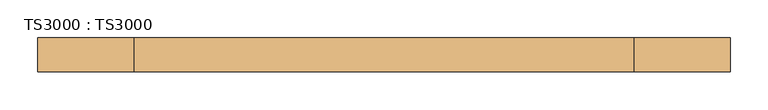
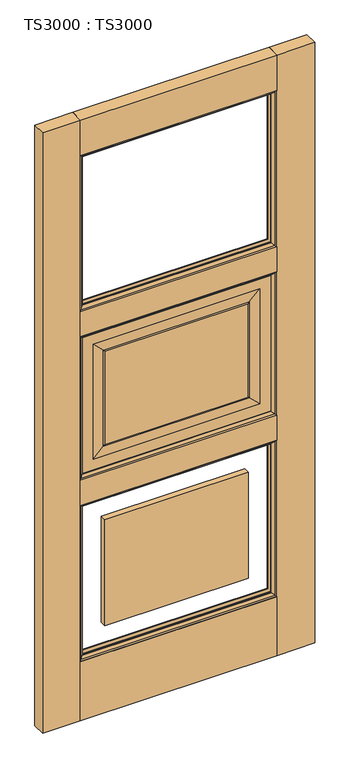
"""IFC4 building model written with IfcOpenShell, lengths in millimetres: door geometry, TS3000 : TS3000."""

import ifcopenshell
import ifcopenshell.guid

model = None  # the IFC model being written
_history = None  # IfcOwnerHistory: only IFC2X3 demands one
_inside = {}  # id of a spatial element -> (the spatial element, [elements in it])
_under = {}  # id of a project, library or spatial element -> (it, [spatial elements below it])
_declared = {}  # id of a project -> (the project, [libraries it declares])
_typed = {}  # id of a type object -> (the type object, [elements of that type])
_made_of = {}  # id of a material, layer set ... -> (it, [elements and type objects made of it])


def new_model(schema):
    """Start an empty IFC model of exactly this schema.

    Asked for "IFC4X3", IfcOpenShell would pick the latest addendum, in which some entities
    have other attributes; the version numbers below select the first issue.
    IFC2X3 requires an IfcOwnerHistory on every rooted entity: one is made here for all.
    """
    global model, _history
    if schema == "IFC4X3":
        model = ifcopenshell.file(schema_version=(4, 3, 0, 0))
    else:
        model = ifcopenshell.file(schema=schema)
    _inside.clear()
    _under.clear()
    _declared.clear()
    _typed.clear()
    _made_of.clear()
    _history = None
    if model.schema == "IFC2X3":
        org = make("IfcOrganization", Name="unknown")
        user = make(
            "IfcPersonAndOrganization",
            ThePerson=make("IfcPerson", FamilyName="unknown"),
            TheOrganization=org,
        )
        app = make(
            "IfcApplication",
            ApplicationDeveloper=org,
            Version="unknown",
            ApplicationFullName="unknown",
            ApplicationIdentifier="unknown",
        )
        _history = make(
            "IfcOwnerHistory",
            OwningUser=user,
            OwningApplication=app,
            ChangeAction="ADDED",
            CreationDate=0,
        )
    return model


def make(cls, **values):
    """One entity of the class cls with the attributes given. An attribute that is None is left unset."""
    return model.create_entity(
        cls, **{name: value for name, value in values.items() if value is not None}
    )


def rooted(cls, **values):
    """An entity with a GlobalId (a new one), such as an element, a storey or a relation."""
    return make(cls, GlobalId=ifcopenshell.guid.new(), OwnerHistory=_history, **values)


def si_unit(unit_type, name, prefix=None):
    """IfcSIUnit, for example si_unit("LENGTHUNIT", "METRE", prefix="MILLI")."""
    return make("IfcSIUnit", UnitType=unit_type, Prefix=prefix, Name=name)


def assignment(units):
    """IfcUnitAssignment: the units of a project."""
    return None if units is None else make("IfcUnitAssignment", Units=units)


def point(xyz):
    """IfcCartesianPoint."""
    return None if xyz is None else make("IfcCartesianPoint", Coordinates=xyz)


def direction(xyz):
    """IfcDirection."""
    return None if xyz is None else make("IfcDirection", DirectionRatios=xyz)


def frame(location, z_axis=None, x_axis=None):
    """IfcAxis2Placement3D, a coordinate frame: its origin and axes. An axis left out is left unset."""
    return make(
        "IfcAxis2Placement3D",
        Location=point(location),
        Axis=direction(z_axis),
        RefDirection=direction(x_axis),
    )


def origin():
    """The frame at (0, 0, 0) with its axes left unset."""
    return frame((0.0, 0.0, 0.0))


def origin_with_axes():
    """The frame at (0, 0, 0) with the z axis (0, 0, 1) and the x axis (1, 0, 0) written out."""
    return frame((0.0, 0.0, 0.0), z_axis=(0.0, 0.0, 1.0), x_axis=(1.0, 0.0, 0.0))


def place(relative_to, where):
    """IfcLocalPlacement: puts the frame where relative to a parent placement (None: the world)."""
    return make(
        "IfcLocalPlacement", PlacementRelTo=relative_to, RelativePlacement=where
    )


def context(
    kind, dimensions, precision=None, world=None, true_north=None, identifier=None
):
    """IfcGeometricRepresentationContext, for example the 3D "Model" context."""
    return make(
        "IfcGeometricRepresentationContext",
        ContextIdentifier=identifier,
        ContextType=kind,
        CoordinateSpaceDimension=dimensions,
        Precision=precision,
        WorldCoordinateSystem=world,
        TrueNorth=true_north,
    )


def project(units=None, contexts=None):
    """IfcProject with its units and contexts."""
    return rooted(
        "IfcProject",
        Name="project",
        RepresentationContexts=contexts,
        UnitsInContext=assignment(units),
    )


def spatial(cls, under=None, at=None, **own):
    """A site, building, storey or space (cls), placed at a placement, below another one or the project."""
    s = rooted(cls, ObjectPlacement=at, **own)
    if under is not None:
        _under.setdefault(under.id(), (under, []))[1].append(s)
    return s


def polyline(points):
    """IfcPolyline through the points."""
    return make("IfcPolyline", Points=[point(p) for p in points])


def ellipse_curve(where, semi_axis1, semi_axis2):
    """IfcEllipse in the frame where."""
    return make(
        "IfcEllipse", Position=where, SemiAxis1=semi_axis1, SemiAxis2=semi_axis2
    )


def outline(outer, holes=None, kind="AREA"):
    """IfcArbitraryClosedProfileDef: a profile drawn as a closed curve; with holes, ...WithVoids."""
    if holes is None:
        return make("IfcArbitraryClosedProfileDef", ProfileType=kind, OuterCurve=outer)
    return make(
        "IfcArbitraryProfileDefWithVoids",
        ProfileType=kind,
        OuterCurve=outer,
        InnerCurves=holes,
    )


def extrude(swept, where, along, depth):
    """IfcExtrudedAreaSolid: the profile swept, set in the frame where, extruded along a direction by depth."""
    return make(
        "IfcExtrudedAreaSolid",
        SweptArea=swept,
        Position=where,
        ExtrudedDirection=direction(along),
        Depth=depth,
    )


def shape(context_of_items, identifier, shape_type, items):
    """IfcShapeRepresentation: the items that make up one representation, for example the "Body"."""
    return make(
        "IfcShapeRepresentation",
        ContextOfItems=context_of_items,
        RepresentationIdentifier=identifier,
        RepresentationType=shape_type,
        Items=items,
    )


def source(mapping_origin, context_of_items, identifier, shape_type, items):
    """IfcRepresentationMap: a shape defined once, which mapped items show again and again."""
    return make(
        "IfcRepresentationMap",
        MappingOrigin=mapping_origin,
        MappedRepresentation=shape(context_of_items, identifier, shape_type, items),
    )


def transform(
    local_origin,
    x_axis=None,
    y_axis=None,
    z_axis=None,
    scale=None,
    scale2=None,
    scale3=None,
    uniform=True,
):
    """IfcCartesianTransformationOperator3D, or its non-uniform kind. x_axis, y_axis, z_axis: its Axis1, 2, 3."""
    if uniform:
        return make(
            "IfcCartesianTransformationOperator3D",
            Axis1=direction(x_axis),
            Axis2=direction(y_axis),
            LocalOrigin=point(local_origin),
            Scale=scale,
            Axis3=direction(z_axis),
        )
    return make(
        "IfcCartesianTransformationOperator3DnonUniform",
        Axis1=direction(x_axis),
        Axis2=direction(y_axis),
        LocalOrigin=point(local_origin),
        Scale=scale,
        Axis3=direction(z_axis),
        Scale2=scale2,
        Scale3=scale3,
    )


def mapped(mapping_source, mapping_target):
    """IfcMappedItem: shows the shape of a source again, moved by a transform."""
    return make(
        "IfcMappedItem", MappingSource=mapping_source, MappingTarget=mapping_target
    )


def made_of(thing, what):
    """Note that an element or type object is made of a material, layer set ...; save() writes the relation."""
    if what is not None:
        _made_of.setdefault(what.id(), (what, []))[1].append(thing)
    return thing


def element(
    cls,
    number,
    at=None,
    inside=None,
    cuts=None,
    type_object=None,
    material=None,
    context=None,
    identifier="Body",
    shape_type=None,
    held_by="IfcProductDefinitionShape",
    body=None,
    shapes=None,
    **own,
):
    """One element of the class cls, such as IfcWall. Its Tag is "e" and its number.

    at: its placement. inside: the storey or other place that contains it. cuts: it is an
    opening in that element (IfcRelVoidsElement). A single representation is given by context,
    identifier, shape_type and body (its items); several are given by shapes. held_by: the class
    of the entity that holds the representations. save() writes the other relations.
    """
    e = rooted(cls, Tag="e%d" % number, ObjectPlacement=at, **own)
    if body is not None:
        shapes = [shape(context, identifier, shape_type, body)]
    if shapes is not None:
        e.Representation = make(held_by, Representations=shapes)
    if inside is not None:
        _inside.setdefault(inside.id(), (inside, []))[1].append(e)
    if cuts is not None:
        rooted(
            "IfcRelVoidsElement", RelatingBuildingElement=cuts, RelatedOpeningElement=e
        )
    if type_object is not None:
        _typed.setdefault(type_object.id(), (type_object, []))[1].append(e)
    return made_of(e, material)


def aggregate(whole, parts):
    """IfcRelAggregates: a whole, such as a stair, and the parts it consists of."""
    return rooted("IfcRelAggregates", RelatingObject=whole, RelatedObjects=parts)


def save(model, path):
    """Write the relations noted so far, then the file.

    IfcRelAggregates (storeys below a building ...), IfcRelContainedInSpatialStructure (elements
    in a storey), IfcRelDefinesByType, IfcRelAssociatesMaterial and IfcRelDeclares: one each for
    every whole, place, type object, material and project.
    """
    for whole, parts in _under.values():
        aggregate(whole, parts)
    for where, things in _inside.values():
        rooted(
            "IfcRelContainedInSpatialStructure",
            RelatedElements=things,
            RelatingStructure=where,
        )
    for kind, things in _typed.values():
        rooted("IfcRelDefinesByType", RelatedObjects=things, RelatingType=kind)
    for what, things in _made_of.values():
        rooted("IfcRelAssociatesMaterial", RelatedObjects=things, RelatingMaterial=what)
    for by, libraries in _declared.values():
        rooted("IfcRelDeclares", RelatingContext=by, RelatedDefinitions=libraries)
    model.write(path)


def plane_surface(at):
    """IfcPlane: the flat surface through the origin of the frame at, square to its z axis."""
    return make("IfcPlane", Position=at)


def revolved_surface(curve, axis_point, axis_direction):
    """IfcSurfaceOfRevolution: the curve turned about the line through axis_point along axis_direction."""
    return make(
        "IfcSurfaceOfRevolution",
        SweptCurve=make("IfcArbitraryOpenProfileDef", ProfileType="CURVE", Curve=curve),
        AxisPosition=make("IfcAxis1Placement", Location=point(axis_point), Axis=direction(axis_direction)),
    )


def advanced_brep(points, edges, surfaces, faces):
    """IfcAdvancedBrep: a solid bounded by faces that lie on surfaces and meet in shared edges.

    An edge is (start, end): straight between two places in points (the first is 0);
    or (start, end, curve); or (start, end, curve, False) where it runs against its curve.
    A face is (place in surfaces, loops), or (place, loops, False) where it looks against
    its surface's normal. A loop lists edges by number (the first is 1), with a minus sign
    where the edge is run from its end to its start. The first loop is the outer one.
    """
    corners = [point(p) for p in points]
    vertices = [make("IfcVertexPoint", VertexGeometry=c) for c in corners]
    made = []
    for start, end, *more in edges:
        made.append(
            make(
                "IfcEdgeCurve",
                EdgeStart=vertices[start],
                EdgeEnd=vertices[end],
                EdgeGeometry=more[0] if more else make("IfcPolyline", Points=[corners[start], corners[end]]),
                SameSense=more[1] if len(more) > 1 else True,
            )
        )
    hull = []
    for where, loops, *sense in faces:
        bounds = []
        for j, loop in enumerate(loops):
            ring = [make("IfcOrientedEdge", EdgeElement=made[abs(k) - 1], Orientation=k > 0) for k in loop]
            bounds.append(
                make(
                    "IfcFaceOuterBound" if j == 0 else "IfcFaceBound",
                    Bound=make("IfcEdgeLoop", EdgeList=ring),
                    Orientation=True,
                )
            )
        hull.append(make("IfcAdvancedFace", Bounds=bounds, FaceSurface=surfaces[where], SameSense=sense[0] if sense else True))
    return make("IfcAdvancedBrep", Outer=make("IfcClosedShell", CfsFaces=hull))


def ts3000_ts3000_06066854(model_context):
    return source(origin(), model_context, "Body", "SolidModel", [
        advanced_brep(
        [(787.4, -12.7, 1363.1333333), (787.4, -31.75, 1363.1333333), (787.4, -31.75, 853.0166667), (787.4, -12.7, 853.0166667), (127.0, -31.75, 1363.1333333), (127.0, -31.75, 853.0166667), (736.6, -31.75, 903.8166667), (177.8, -31.75, 903.8166667), (177.8, -31.75, 1312.3333333), (736.6, -31.75, 1312.3333333), (127.0, -12.7, 853.0166667), (127.0, -12.7, 1363.1333333), (736.6, -12.7, 1312.3333333), (177.8, -12.7, 1312.3333333), (177.8, -12.7, 903.8166667), (736.6, -12.7, 903.8166667), (698.5, -33.3375, 1274.2333333), (698.5, -11.1125, 1274.2333333), (698.5, -11.1125, 941.9166667), (698.5, -33.3375, 941.9166667), (703.2625, -13.49375, 1278.9958333), (703.2625, -13.49375, 937.1541667), (215.9, -11.1125, 941.9166667), (215.9, -33.3375, 941.9166667), (703.2625, -30.95625, 1278.9958333), (703.2625, -30.95625, 937.1541667), (211.1375, -13.49375, 937.1541667), (215.9, -11.1125, 1274.2333333), (215.9, -33.3375, 1274.2333333), (211.1375, -30.95625, 937.1541667), (211.1375, -13.49375, 1278.9958333), (211.1375, -30.95625, 1278.9958333)],
        [
            (0, 1),
            (1, 2),
            (2, 3),
            (3, 0),
            (1, 4),
            (4, 5),
            (5, 2),
            (6, 7),
            (7, 8),
            (8, 9),
            (9, 6),
            (5, 10),
            (10, 3),
            (10, 11),
            (11, 0),
            (12, 13),
            (13, 14),
            (14, 15),
            (15, 12),
            (16, 17),
            (17, 18),
            (18, 19),
            (19, 16),
            (17, 20, ellipse_curve(frame((703.7585938, -6.5484375, 1279.4919271), z_axis=(-0.7071067811865475, 0.0, 0.7071067811865475), x_axis=(-0.7071067811865474, 0.0, -0.7071067811865476)), 9.8471798, 6.9630076)),
            (20, 21),
            (21, 18, ellipse_curve(frame((703.7585938, -6.5484375, 936.6580729), z_axis=(-0.7071067811865475, 0.0, -0.7071067811865475), x_axis=(0.7071067811865474, 0.0, -0.7071067811865476)), 9.8471798, 6.9630076)),
            (18, 22),
            (22, 23),
            (23, 19),
            (24, 16, ellipse_curve(frame((703.7585938, -37.9015625, 1279.4919271), z_axis=(-0.7071067811865475, 0.0, 0.7071067811865475), x_axis=(-0.7071067811865474, 0.0, -0.7071067811865476)), 9.8471798, 6.9630076)),
            (19, 25, ellipse_curve(frame((703.7585938, -37.9015625, 936.6580729), z_axis=(-0.7071067811865475, 0.0, -0.7071067811865475), x_axis=(0.7071067811865474, 0.0, -0.7071067811865476)), 9.8471798, 6.9630076)),
            (25, 24),
            (4, 11),
            (21, 26),
            (26, 22, ellipse_curve(frame((210.6414063, -6.5484375, 936.6580729), z_axis=(-0.7071067811865475, 0.0, 0.7071067811865475), x_axis=(-0.7071067811865476, 0.0, -0.7071067811865474)), 9.8471798, 6.9630076)),
            (22, 27),
            (27, 28),
            (28, 23),
            (23, 29, ellipse_curve(frame((210.6414063, -37.9015625, 936.6580729), z_axis=(-0.7071067811865475, 0.0, 0.7071067811865475), x_axis=(-0.7071067811865476, 0.0, -0.7071067811865474)), 9.8471798, 6.9630076)),
            (29, 25),
            (26, 30),
            (30, 27, ellipse_curve(frame((210.6414063, -6.5484375, 1279.4919271), z_axis=(0.7071067811865475, 0.0, 0.7071067811865475), x_axis=(-0.7071067811865474, 0.0, 0.7071067811865476)), 9.8471798, 6.9630076)),
            (28, 31, ellipse_curve(frame((210.6414063, -37.9015625, 1279.4919271), z_axis=(0.7071067811865475, 0.0, 0.7071067811865475), x_axis=(-0.7071067811865474, 0.0, 0.7071067811865476)), 9.8471798, 6.9630076)),
            (31, 29),
            (6, 25),
            (29, 7),
            (31, 8),
            (9, 24),
            (26, 14),
            (13, 30),
            (21, 15),
            (20, 12),
            (27, 17),
            (16, 28),
            (31, 24),
            (20, 30),
        ],
        [
            plane_surface(frame((787.4, -31.75, 1363.1333333), z_axis=(1.0, 0.0, 0.0), x_axis=(0.0, 0.0, -1.0))),
            plane_surface(frame((177.8, -31.75, 1312.3333333), z_axis=(0.0, -1.0, 0.0), x_axis=(1.0, 0.0, 0.0))),
            plane_surface(frame((787.4, -31.75, 853.0166667), z_axis=(0.0, 0.0, -1.0), x_axis=(-1.0, 0.0, 0.0))),
            plane_surface(frame((127.0, -12.7, 1363.1333333), z_axis=(0.0, 1.0, 0.0), x_axis=(1.0, 0.0, 0.0))),
            plane_surface(frame((698.5, -11.1125, 1274.2333333), z_axis=(-1.0, 0.0, 0.0), x_axis=(0.0, 0.0, -1.0))),
            revolved_surface(polyline([(696.7955862, -6.5484375, 929.6950652878568), (696.7955862, -6.5484375, 1286.4549347121433)]), (703.7585938, -6.5484375, 1274.2333333), (0.0, 0.0, -1.0)),
            plane_surface(frame((698.5, -11.1125, 941.9166667), z_axis=(0.0, 0.0, 1.0), x_axis=(-1.0, 0.0, 0.0))),
            revolved_surface(polyline([(696.7955862, -37.9015625, 929.6950652878568), (696.7955862, -37.9015625, 1286.4549347121433)]), (703.7585938, -37.9015625, 1274.2333333), (0.0, 0.0, -1.0)),
            plane_surface(frame((127.0, -31.75, 853.0166667), z_axis=(-1.0, 0.0, 0.0), x_axis=(0.0, 0.0, 1.0))),
            revolved_surface(polyline([(203.67839868785677, -6.5484375, 943.6210805), (710.7216014121432, -6.5484375, 943.6210805)]), (698.5, -6.5484375, 936.6580729), (-1.0, 0.0, 0.0)),
            plane_surface(frame((215.9, -11.1125, 941.9166667), z_axis=(1.0, 0.0, 0.0), x_axis=(0.0, 0.0, 1.0))),
            revolved_surface(polyline([(203.67839868785677, -37.9015625, 943.6210805), (710.7216014121432, -37.9015625, 943.6210805)]), (698.5, -37.9015625, 936.6580729), (-1.0, 0.0, 0.0)),
            revolved_surface(polyline([(217.6044139, -6.5484375, 1286.4549347121433), (217.6044139, -6.5484375, 929.6950652878568)]), (210.6414063, -6.5484375, 941.9166667), (0.0, 0.0, 1.0)),
            revolved_surface(polyline([(217.6044139, -37.9015625, 1286.4549347121433), (217.6044139, -37.9015625, 929.6950652878568)]), (210.6414063, -37.9015625, 941.9166667), (0.0, 0.0, 1.0)),
            plane_surface(frame((703.2625, -30.95625, 937.1541667), z_axis=(0.0, -0.9997166737441345, 0.023802777946362628), x_axis=(-1.0, 0.0, 0.0))),
            plane_surface(frame((211.1375, -30.95625, 937.1541667), z_axis=(0.023802777946359394, -0.9997166737441346, 0.0), x_axis=(0.0, 0.0, 1.0))),
            plane_surface(frame((703.2625, -30.95625, 1278.9958333), z_axis=(-0.02380277794636586, -0.9997166737441344, 0.0), x_axis=(0.0, 0.0, -1.0))),
            plane_surface(frame((177.8, -12.7, 903.8166667), z_axis=(0.023802777946303297, 0.9997166737441359, 0.0), x_axis=(0.0, 0.0, 1.0))),
            plane_surface(frame((736.6, -12.7, 903.8166667), z_axis=(0.0, 0.999716673744136, 0.023802777946300063), x_axis=(-1.0, 0.0, 0.0))),
            plane_surface(frame((736.6, -12.7, 1312.3333333), z_axis=(-0.02380277794629683, 0.9997166737441361, 0.0), x_axis=(0.0, 0.0, -1.0))),
            plane_surface(frame((127.0, -31.75, 1363.1333333), z_axis=(0.0, 0.0, 1.0), x_axis=(1.0, 0.0, 0.0))),
            plane_surface(frame((215.9, -11.1125, 1274.2333333), z_axis=(0.0, 0.0, -1.0), x_axis=(1.0, 0.0, 0.0))),
            plane_surface(frame((211.1375, -30.95625, 1278.9958333), z_axis=(0.0, -0.9997166737441345, -0.023802777946362628), x_axis=(1.0, 0.0, 0.0))),
            plane_surface(frame((177.8, -12.7, 1312.3333333), z_axis=(0.0, 0.999716673744136, -0.023802777946300063), x_axis=(1.0, 0.0, 0.0))),
            revolved_surface(polyline([(710.7216014121432, -6.5484375, 1272.5289195), (203.6783986878568, -6.5484375, 1272.5289195)]), (215.9, -6.5484375, 1279.4919271), (1.0, 0.0, 0.0)),
            revolved_surface(polyline([(710.7216014121432, -37.9015625, 1272.5289195), (203.6783986878568, -37.9015625, 1272.5289195)]), (215.9, -37.9015625, 1279.4919271), (1.0, 0.0, 0.0)),
        ],
        [
            (0, [[1, 2, 3, 4]]),
            (1, [[5, 6, 7, -2], [8, 9, 10, 11]]),
            (2, [[-3, -7, 12, 13]]),
            (3, [[-13, 14, 15, -4], [16, 17, 18, 19]]),
            (4, [[20, 21, 22, 23]]),
            (5, [[24, 25, 26, -21]]),
            (6, [[-22, 27, 28, 29]]),
            (7, [[30, -23, 31, 32]]),
            (8, [[-12, -6, 33, -14]]),
            (9, [[-26, 34, 35, -27]]),
            (10, [[-28, 36, 37, 38]]),
            (11, [[-31, -29, 39, 40]]),
            (12, [[-35, 41, 42, -36]]),
            (13, [[-39, -38, 43, 44]]),
            (14, [[45, -40, 46, -8]]),
            (15, [[-46, -44, 47, -9]]),
            (16, [[48, -32, -45, -11]]),
            (17, [[49, -17, 50, -41]]),
            (18, [[51, -18, -49, -34]]),
            (19, [[52, -19, -51, -25]]),
            (20, [[-33, -5, -1, -15]]),
            (21, [[-37, 53, -20, 54]]),
            (22, [[-47, 55, -48, -10]]),
            (23, [[-50, -16, -52, 56]]),
            (24, [[-42, -56, -24, -53]]),
            (25, [[-43, -54, -30, -55]]),
        ],
    ),
        extrude(outline(polyline([(787.4, -44.45), (127.0, -44.45), (127.0, 0.0), (787.4, 0.0), (787.4, -44.45)])), origin_with_axes(), (0.0, 0.0, 1.0), 209.55),
        extrude(outline(polyline([(787.4, -44.45), (127.0, -44.45), (127.0, 0.0), (787.4, 0.0), (787.4, -44.45)])), frame((0.0, 0.0, 764.1166667), z_axis=(0.0, 0.0, 1.0), x_axis=(1.0, 0.0, 0.0)), (0.0, 0.0, 1.0), 88.9),
        extrude(outline(polyline([(787.4, -44.45), (127.0, -44.45), (127.0, 0.0), (787.4, 0.0), (787.4, -44.45)])), frame((0.0, 0.0, 2006.6), z_axis=(0.0, 0.0, 1.0), x_axis=(1.0, 0.0, 0.0)), (0.0, 0.0, 1.0), 127.0),
        extrude(outline(polyline([(787.4, -44.45), (127.0, -44.45), (127.0, 0.0), (787.4, 0.0), (787.4, -44.45)])), frame((0.0, 0.0, 1363.1333333), z_axis=(0.0, 0.0, 1.0), x_axis=(1.0, 0.0, 0.0)), (0.0, 0.0, 1.0), 88.9),
        extrude(outline(polyline([(215.9, -11.1125), (698.5, -11.1125), (698.5, -33.3375), (215.9, -33.3375), (215.9, -11.1125)])), frame((0.0, 0.0, 298.45), z_axis=(0.0, 0.0, 1.0), x_axis=(1.0, 0.0, 0.0)), (0.0, 0.0, 1.0), 376.7666667),
        extrude(outline(polyline([(215.9, -11.1125), (698.5, -11.1125), (698.5, -33.3375), (215.9, -33.3375), (215.9, -11.1125)])), frame((0.0, 0.0, 941.9166667), z_axis=(0.0, 0.0, 1.0), x_axis=(1.0, 0.0, 0.0)), (0.0, 0.0, 1.0), 332.3166667),
        extrude(outline(polyline([(914.4, -44.45), (787.4, -44.45), (787.4, 0.0), (914.4, 0.0), (914.4, -44.45)])), origin_with_axes(), (0.0, 0.0, 1.0), 2133.6),
        extrude(outline(polyline([(127.0, -44.45), (0.0, -44.45), (0.0, 0.0), (127.0, 0.0), (127.0, -44.45)])), origin_with_axes(), (0.0, 0.0, 1.0), 2133.6),
        advanced_brep(
        [(787.4, -31.75, 764.1166667), (787.4, -44.4610047, 764.1166667), (787.4, -44.4610047, 209.55), (787.4, -31.75, 209.55), (774.6912454, -34.925, 751.407912), (774.6912454, -31.75, 751.407912), (774.6912454, -31.75, 222.2587546), (774.6912454, -34.925, 222.2587546), (782.5328423, -41.275, 759.249509), (782.5328423, -41.275, 214.4171577), (127.0, -44.4610047, 209.55), (127.0, -31.75, 209.55), (139.7087546, -31.75, 222.2587546), (139.7087546, -34.925, 222.2587546), (131.8671577, -41.275, 214.4171577), (127.0, -44.4610047, 764.1166667), (127.0, -31.75, 764.1166667), (139.7087546, -31.75, 751.407912), (139.7087546, -34.925, 751.407912), (131.8671577, -41.275, 759.249509)],
        [
            (0, 1),
            (1, 2),
            (2, 3),
            (3, 0),
            (4, 5),
            (5, 6),
            (6, 7),
            (7, 4),
            (8, 4, ellipse_curve(frame((770.549739, -48.0561173, 747.2664057), z_axis=(-0.7071067811865475, 0.0, 0.7071067811865475), x_axis=(-0.7071067811865474, 0.0, -0.7071067811865476)), 19.4719447, 13.7687442)),
            (7, 9, ellipse_curve(frame((770.549739, -48.0561173, 226.400261), z_axis=(-0.7071067811865475, 0.0, -0.7071067811865475), x_axis=(0.7071067811865474, 0.0, -0.7071067811865476)), 19.4719447, 13.7687442)),
            (9, 8),
            (1, 8, ellipse_curve(frame((779.4613821, -51.2778746, 756.1780488), z_axis=(-0.7071067811865475, 0.0, 0.7071067811865475), x_axis=(-0.7071067811865474, 0.0, -0.7071067811865476)), 14.7980653, 10.4638123)),
            (9, 2, ellipse_curve(frame((779.4613821, -51.2778746, 217.4886179), z_axis=(-0.7071067811865475, 0.0, -0.7071067811865475), x_axis=(0.7071067811865474, 0.0, -0.7071067811865476)), 14.7980653, 10.4638123)),
            (2, 10),
            (10, 11),
            (11, 3),
            (6, 12),
            (12, 13),
            (13, 7),
            (13, 14, ellipse_curve(frame((143.850261, -48.0561173, 226.400261), z_axis=(-0.7071067811865475, 0.0, 0.7071067811865475), x_axis=(-0.7071067811865476, 0.0, -0.7071067811865474)), 19.4719447, 13.7687442)),
            (14, 9),
            (14, 10, ellipse_curve(frame((134.9386179, -51.2778746, 217.4886179), z_axis=(-0.7071067811865475, 0.0, 0.7071067811865475), x_axis=(-0.7071067811865476, 0.0, -0.7071067811865474)), 14.7980653, 10.4638123)),
            (10, 15),
            (15, 16),
            (16, 11),
            (12, 17),
            (17, 18),
            (18, 13),
            (18, 19, ellipse_curve(frame((143.850261, -48.0561173, 747.2664057), z_axis=(0.7071067811865475, 0.0, 0.7071067811865475), x_axis=(-0.7071067811865474, 0.0, 0.7071067811865476)), 19.4719447, 13.7687442)),
            (19, 14),
            (19, 15, ellipse_curve(frame((134.9386179, -51.2778746, 756.1780488), z_axis=(0.7071067811865475, 0.0, 0.7071067811865475), x_axis=(-0.7071067811865474, 0.0, 0.7071067811865476)), 14.7980653, 10.4638123)),
            (15, 1),
            (0, 16),
            (5, 17),
            (4, 18),
            (8, 19),
        ],
        [
            plane_surface(frame((787.4, -44.4610047, 764.1166667), z_axis=(1.0, 0.0, 0.0), x_axis=(0.0, 0.0, -1.0))),
            plane_surface(frame((774.6912454, -31.75, 751.407912), z_axis=(-1.0, 0.0, 0.0), x_axis=(0.0, 0.0, -1.0))),
            revolved_surface(polyline([(756.7809948, -48.0561173, 212.6315168597406), (756.7809948, -48.0561173, 761.0351498402594)]), (770.549739, -48.0561173, 764.1166667), (0.0, 0.0, -1.0)),
            revolved_surface(polyline([(768.9975698000001, -51.2778746, 207.02480557792865), (768.9975698000001, -51.2778746, 766.6418611220714)]), (779.4613821, -51.2778746, 764.1166667), (0.0, 0.0, -1.0)),
            plane_surface(frame((787.4, -44.4610047, 209.55), z_axis=(0.0, 0.0, -1.0), x_axis=(-1.0, 0.0, 0.0))),
            plane_surface(frame((774.6912454, -31.75, 222.2587546), z_axis=(0.0, 0.0, 1.0), x_axis=(-1.0, 0.0, 0.0))),
            revolved_surface(polyline([(130.08151685974053, -48.0561173, 240.16900520000002), (784.3184831402594, -48.0561173, 240.16900520000002)]), (787.4, -48.0561173, 226.400261), (-1.0, 0.0, 0.0)),
            revolved_surface(polyline([(124.47480557792858, -51.2778746, 227.9524302), (789.9251944220714, -51.2778746, 227.9524302)]), (787.4, -51.2778746, 217.4886179), (-1.0, 0.0, 0.0)),
            plane_surface(frame((127.0, -44.4610047, 209.55), z_axis=(-1.0, 0.0, 0.0), x_axis=(0.0, 0.0, 1.0))),
            plane_surface(frame((139.7087546, -31.75, 222.2587546), z_axis=(1.0, 0.0, 0.0), x_axis=(0.0, 0.0, 1.0))),
            revolved_surface(polyline([(157.6190052, -48.0561173, 761.0351498402595), (157.6190052, -48.0561173, 212.63151685974054)]), (143.850261, -48.0561173, 209.55), (0.0, 0.0, 1.0)),
            revolved_surface(polyline([(145.4024302, -51.2778746, 766.6418611220713), (145.4024302, -51.2778746, 207.02480557792867)]), (134.9386179, -51.2778746, 209.55), (0.0, 0.0, 1.0)),
            plane_surface(frame((127.0, -44.4610047, 764.1166667), z_axis=(0.0, 0.0, 1.0), x_axis=(1.0, 0.0, 0.0))),
            plane_surface(frame((127.0, -31.75, 764.1166667), z_axis=(0.0, 1.0, 0.0), x_axis=(1.0, 0.0, 0.0))),
            plane_surface(frame((139.7087546, -31.75, 751.407912), z_axis=(0.0, 0.0, -1.0), x_axis=(1.0, 0.0, 0.0))),
            revolved_surface(polyline([(784.3184831402594, -48.0561173, 733.4976614999999), (130.08151685974053, -48.0561173, 733.4976614999999)]), (127.0, -48.0561173, 747.2664057), (1.0, 0.0, 0.0)),
            revolved_surface(polyline([(789.9251944220714, -51.2778746, 745.7142365000001), (124.47480557792866, -51.2778746, 745.7142365000001)]), (127.0, -51.2778746, 756.1780488), (1.0, 0.0, 0.0)),
        ],
        [
            (0, [[1, 2, 3, 4]]),
            (1, [[5, 6, 7, 8]]),
            (2, [[9, -8, 10, 11]]),
            (3, [[12, -11, 13, -2]]),
            (4, [[-3, 14, 15, 16]]),
            (5, [[-7, 17, 18, 19]]),
            (6, [[-10, -19, 20, 21]]),
            (7, [[-13, -21, 22, -14]]),
            (8, [[-15, 23, 24, 25]]),
            (9, [[-18, 26, 27, 28]]),
            (10, [[-20, -28, 29, 30]]),
            (11, [[-22, -30, 31, -23]]),
            (12, [[-24, 32, -1, 33]]),
            (13, [[-16, -25, -33, -4], [34, -26, -17, -6]]),
            (14, [[-27, -34, -5, 35]]),
            (15, [[-29, -35, -9, 36]]),
            (16, [[-31, -36, -12, -32]]),
        ],
    ),
        advanced_brep(
        [(782.5328423, -3.175, 759.249509), (787.4, 0.0110047, 764.1166667), (787.4, 0.0110047, 209.55), (782.5328423, -3.175, 214.4171577), (774.6912454, -9.525, 751.407912), (774.6912454, -9.525, 222.2587546), (774.6912454, -12.7, 751.407912), (774.6912454, -12.7, 222.2587546), (787.4, -12.7, 764.1166667), (787.4, -12.7, 209.55), (127.0, 0.0110047, 209.55), (131.8671577, -3.175, 214.4171577), (139.7087546, -9.525, 222.2587546), (139.7087546, -12.7, 222.2587546), (127.0, -12.7, 209.55), (127.0, 0.0110047, 764.1166667), (131.8671577, -3.175, 759.249509), (139.7087546, -9.525, 751.407912), (139.7087546, -12.7, 751.407912), (127.0, -12.7, 764.1166667)],
        [
            (0, 1, ellipse_curve(frame((779.4613821, 6.8278746, 756.1780488), z_axis=(-0.7071067811865475, 0.0, 0.7071067811865475), x_axis=(-0.7071067811865474, 0.0, -0.7071067811865476)), 14.7980653, 10.4638123)),
            (1, 2),
            (2, 3, ellipse_curve(frame((779.4613821, 6.8278746, 217.4886179), z_axis=(-0.7071067811865475, 0.0, -0.7071067811865475), x_axis=(0.7071067811865474, 0.0, -0.7071067811865476)), 14.7980653, 10.4638123)),
            (3, 0),
            (4, 0, ellipse_curve(frame((770.549739, 3.6061173, 747.2664057), z_axis=(-0.7071067811865475, 0.0, 0.7071067811865475), x_axis=(-0.7071067811865474, 0.0, -0.7071067811865476)), 19.4719447, 13.7687442)),
            (3, 5, ellipse_curve(frame((770.549739, 3.6061173, 226.400261), z_axis=(-0.7071067811865475, 0.0, -0.7071067811865475), x_axis=(0.7071067811865474, 0.0, -0.7071067811865476)), 19.4719447, 13.7687442)),
            (5, 4),
            (6, 4),
            (5, 7),
            (7, 6),
            (1, 8),
            (8, 9),
            (9, 2),
            (2, 10),
            (10, 11, ellipse_curve(frame((134.9386179, 6.8278746, 217.4886179), z_axis=(-0.7071067811865475, 0.0, 0.7071067811865475), x_axis=(-0.7071067811865476, 0.0, -0.7071067811865474)), 14.7980653, 10.4638123)),
            (11, 3),
            (11, 12, ellipse_curve(frame((143.850261, 3.6061173, 226.400261), z_axis=(-0.7071067811865475, 0.0, 0.7071067811865475), x_axis=(-0.7071067811865476, 0.0, -0.7071067811865474)), 19.4719447, 13.7687442)),
            (12, 5),
            (12, 13),
            (13, 7),
            (9, 14),
            (14, 10),
            (10, 15),
            (15, 16, ellipse_curve(frame((134.9386179, 6.8278746, 756.1780488), z_axis=(0.7071067811865475, 0.0, 0.7071067811865475), x_axis=(-0.7071067811865474, 0.0, 0.7071067811865476)), 14.7980653, 10.4638123)),
            (16, 11),
            (16, 17, ellipse_curve(frame((143.850261, 3.6061173, 747.2664057), z_axis=(0.7071067811865475, 0.0, 0.7071067811865475), x_axis=(-0.7071067811865474, 0.0, 0.7071067811865476)), 19.4719447, 13.7687442)),
            (17, 12),
            (17, 18),
            (18, 13),
            (14, 19),
            (19, 15),
            (15, 1),
            (0, 16),
            (4, 17),
            (6, 18),
            (8, 19),
        ],
        [
            revolved_surface(polyline([(768.9975698000001, 6.8278746, 207.02480557792865), (768.9975698000001, 6.8278746, 766.6418611220714)]), (779.4613821, 6.8278746, 764.1166667), (0.0, 0.0, -1.0)),
            revolved_surface(polyline([(756.7809948, 3.6061173, 212.6315168597406), (756.7809948, 3.6061173, 761.0351498402594)]), (770.549739, 3.6061173, 764.1166667), (0.0, 0.0, -1.0)),
            plane_surface(frame((774.6912454, -9.525, 751.407912), z_axis=(-1.0, 0.0, 0.0), x_axis=(0.0, 0.0, -1.0))),
            plane_surface(frame((787.4, -12.7, 764.1166667), z_axis=(1.0, 0.0, 0.0), x_axis=(0.0, 0.0, -1.0))),
            revolved_surface(polyline([(124.47480557792858, 6.8278746, 227.9524302), (789.9251944220714, 6.8278746, 227.9524302)]), (787.4, 6.8278746, 217.4886179), (-1.0, 0.0, 0.0)),
            revolved_surface(polyline([(130.08151685974053, 3.6061173, 240.16900520000002), (784.3184831402594, 3.6061173, 240.16900520000002)]), (787.4, 3.6061173, 226.400261), (-1.0, 0.0, 0.0)),
            plane_surface(frame((774.6912454, -9.525, 222.2587546), z_axis=(0.0, 0.0, 1.0), x_axis=(-1.0, 0.0, 0.0))),
            plane_surface(frame((787.4, -12.7, 209.55), z_axis=(0.0, 0.0, -1.0), x_axis=(-1.0, 0.0, 0.0))),
            revolved_surface(polyline([(145.4024302, 6.8278746, 766.6418611220713), (145.4024302, 6.8278746, 207.02480557792867)]), (134.9386179, 6.8278746, 209.55), (0.0, 0.0, 1.0)),
            revolved_surface(polyline([(157.6190052, 3.6061173, 761.0351498402595), (157.6190052, 3.6061173, 212.63151685974054)]), (143.850261, 3.6061173, 209.55), (0.0, 0.0, 1.0)),
            plane_surface(frame((139.7087546, -9.525, 222.2587546), z_axis=(1.0, 0.0, 0.0), x_axis=(0.0, 0.0, 1.0))),
            plane_surface(frame((127.0, -12.7, 209.55), z_axis=(-1.0, 0.0, 0.0), x_axis=(0.0, 0.0, 1.0))),
            revolved_surface(polyline([(789.9251944220714, 6.8278746, 745.7142365000001), (124.47480557792866, 6.8278746, 745.7142365000001)]), (127.0, 6.8278746, 756.1780488), (1.0, 0.0, 0.0)),
            revolved_surface(polyline([(784.3184831402594, 3.6061173, 733.4976614999999), (130.08151685974053, 3.6061173, 733.4976614999999)]), (127.0, 3.6061173, 747.2664057), (1.0, 0.0, 0.0)),
            plane_surface(frame((139.7087546, -9.525, 751.407912), z_axis=(0.0, 0.0, -1.0), x_axis=(1.0, 0.0, 0.0))),
            plane_surface(frame((139.7087546, -12.7, 751.407912), z_axis=(0.0, -1.0, 0.0), x_axis=(1.0, 0.0, 0.0))),
            plane_surface(frame((127.0, -12.7, 764.1166667), z_axis=(0.0, 0.0, 1.0), x_axis=(1.0, 0.0, 0.0))),
        ],
        [
            (0, [[1, 2, 3, 4]]),
            (1, [[5, -4, 6, 7]]),
            (2, [[8, -7, 9, 10]]),
            (3, [[11, 12, 13, -2]]),
            (4, [[-3, 14, 15, 16]]),
            (5, [[-6, -16, 17, 18]]),
            (6, [[-9, -18, 19, 20]]),
            (7, [[-13, 21, 22, -14]]),
            (8, [[-15, 23, 24, 25]]),
            (9, [[-17, -25, 26, 27]]),
            (10, [[-19, -27, 28, 29]]),
            (11, [[-22, 30, 31, -23]]),
            (12, [[-24, 32, -1, 33]]),
            (13, [[-26, -33, -5, 34]]),
            (14, [[-28, -34, -8, 35]]),
            (15, [[36, -30, -21, -12], [-20, -29, -35, -10]]),
            (16, [[-31, -36, -11, -32]]),
        ],
    ),
        advanced_brep(
        [(787.4, -31.75, 1363.1333333), (787.4, -44.4610047, 1363.1333333), (787.4, -44.4610047, 853.0166667), (787.4, -31.75, 853.0166667), (774.6912454, -34.925, 1350.4245787), (774.6912454, -31.75, 1350.4245787), (774.6912454, -31.75, 865.7254213), (774.6912454, -34.925, 865.7254213), (782.5328423, -41.275, 1358.2661757), (782.5328423, -41.275, 857.8838243), (127.0, -44.4610047, 853.0166667), (127.0, -31.75, 853.0166667), (139.7087546, -31.75, 865.7254213), (139.7087546, -34.925, 865.7254213), (131.8671577, -41.275, 857.8838243), (127.0, -44.4610047, 1363.1333333), (127.0, -31.75, 1363.1333333), (139.7087546, -31.75, 1350.4245787), (139.7087546, -34.925, 1350.4245787), (131.8671577, -41.275, 1358.2661757)],
        [
            (0, 1),
            (1, 2),
            (2, 3),
            (3, 0),
            (4, 5),
            (5, 6),
            (6, 7),
            (7, 4),
            (8, 4, ellipse_curve(frame((770.549739, -48.0561173, 1346.2830724), z_axis=(-0.7071067811865475, 0.0, 0.7071067811865475), x_axis=(-0.7071067811865474, 0.0, -0.7071067811865476)), 19.4719447, 13.7687442)),
            (7, 9, ellipse_curve(frame((770.549739, -48.0561173, 869.8669276), z_axis=(-0.7071067811865475, 0.0, -0.7071067811865475), x_axis=(0.7071067811865474, 0.0, -0.7071067811865476)), 19.4719447, 13.7687442)),
            (9, 8),
            (1, 8, ellipse_curve(frame((779.4613821, -51.2778746, 1355.1947155), z_axis=(-0.7071067811865475, 0.0, 0.7071067811865475), x_axis=(-0.7071067811865474, 0.0, -0.7071067811865476)), 14.7980653, 10.4638123)),
            (9, 2, ellipse_curve(frame((779.4613821, -51.2778746, 860.9552845), z_axis=(-0.7071067811865475, 0.0, -0.7071067811865475), x_axis=(0.7071067811865474, 0.0, -0.7071067811865476)), 14.7980653, 10.4638123)),
            (2, 10),
            (10, 11),
            (11, 3),
            (6, 12),
            (12, 13),
            (13, 7),
            (13, 14, ellipse_curve(frame((143.850261, -48.0561173, 869.8669276), z_axis=(-0.7071067811865475, 0.0, 0.7071067811865475), x_axis=(-0.7071067811865476, 0.0, -0.7071067811865474)), 19.4719447, 13.7687442)),
            (14, 9),
            (14, 10, ellipse_curve(frame((134.9386179, -51.2778746, 860.9552845), z_axis=(-0.7071067811865475, 0.0, 0.7071067811865475), x_axis=(-0.7071067811865476, 0.0, -0.7071067811865474)), 14.7980653, 10.4638123)),
            (10, 15),
            (15, 16),
            (16, 11),
            (12, 17),
            (17, 18),
            (18, 13),
            (18, 19, ellipse_curve(frame((143.850261, -48.0561173, 1346.2830724), z_axis=(0.7071067811865475, 0.0, 0.7071067811865475), x_axis=(-0.7071067811865474, 0.0, 0.7071067811865476)), 19.4719447, 13.7687442)),
            (19, 14),
            (19, 15, ellipse_curve(frame((134.9386179, -51.2778746, 1355.1947155), z_axis=(0.7071067811865475, 0.0, 0.7071067811865475), x_axis=(-0.7071067811865474, 0.0, 0.7071067811865476)), 14.7980653, 10.4638123)),
            (15, 1),
            (0, 16),
            (5, 17),
            (4, 18),
            (8, 19),
        ],
        [
            plane_surface(frame((787.4, -44.4610047, 1363.1333333), z_axis=(1.0, 0.0, 0.0), x_axis=(0.0, 0.0, -1.0))),
            plane_surface(frame((774.6912454, -31.75, 1350.4245787), z_axis=(-1.0, 0.0, 0.0), x_axis=(0.0, 0.0, -1.0))),
            revolved_surface(polyline([(756.7809948, -48.0561173, 856.0981834597405), (756.7809948, -48.0561173, 1360.0518165402596)]), (770.549739, -48.0561173, 1363.1333333), (0.0, 0.0, -1.0)),
            revolved_surface(polyline([(768.9975698000001, -51.2778746, 850.4914721779286), (768.9975698000001, -51.2778746, 1365.6585278220714)]), (779.4613821, -51.2778746, 1363.1333333), (0.0, 0.0, -1.0)),
            plane_surface(frame((787.4, -44.4610047, 853.0166667), z_axis=(0.0, 0.0, -1.0), x_axis=(-1.0, 0.0, 0.0))),
            plane_surface(frame((774.6912454, -31.75, 865.7254213), z_axis=(0.0, 0.0, 1.0), x_axis=(-1.0, 0.0, 0.0))),
            revolved_surface(polyline([(130.08151685974053, -48.0561173, 883.6356718000001), (784.3184831402594, -48.0561173, 883.6356718000001)]), (787.4, -48.0561173, 869.8669276), (-1.0, 0.0, 0.0)),
            revolved_surface(polyline([(124.47480557792858, -51.2778746, 871.4190967999999), (789.9251944220714, -51.2778746, 871.4190967999999)]), (787.4, -51.2778746, 860.9552845), (-1.0, 0.0, 0.0)),
            plane_surface(frame((127.0, -44.4610047, 853.0166667), z_axis=(-1.0, 0.0, 0.0), x_axis=(0.0, 0.0, 1.0))),
            plane_surface(frame((139.7087546, -31.75, 865.7254213), z_axis=(1.0, 0.0, 0.0), x_axis=(0.0, 0.0, 1.0))),
            revolved_surface(polyline([(157.6190052, -48.0561173, 1360.0518165402596), (157.6190052, -48.0561173, 856.0981834597407)]), (143.850261, -48.0561173, 853.0166667), (0.0, 0.0, 1.0)),
            revolved_surface(polyline([(145.4024302, -51.2778746, 1365.6585278220714), (145.4024302, -51.2778746, 850.4914721779286)]), (134.9386179, -51.2778746, 853.0166667), (0.0, 0.0, 1.0)),
            plane_surface(frame((127.0, -44.4610047, 1363.1333333), z_axis=(0.0, 0.0, 1.0), x_axis=(1.0, 0.0, 0.0))),
            plane_surface(frame((127.0, -31.75, 1363.1333333), z_axis=(0.0, 1.0, 0.0), x_axis=(1.0, 0.0, 0.0))),
            plane_surface(frame((139.7087546, -31.75, 1350.4245787), z_axis=(0.0, 0.0, -1.0), x_axis=(1.0, 0.0, 0.0))),
            revolved_surface(polyline([(784.3184831402594, -48.0561173, 1332.5143282000001), (130.08151685974053, -48.0561173, 1332.5143282000001)]), (127.0, -48.0561173, 1346.2830724), (1.0, 0.0, 0.0)),
            revolved_surface(polyline([(789.9251944220714, -51.2778746, 1344.7309032), (124.47480557792866, -51.2778746, 1344.7309032)]), (127.0, -51.2778746, 1355.1947155), (1.0, 0.0, 0.0)),
        ],
        [
            (0, [[1, 2, 3, 4]]),
            (1, [[5, 6, 7, 8]]),
            (2, [[9, -8, 10, 11]]),
            (3, [[12, -11, 13, -2]]),
            (4, [[-3, 14, 15, 16]]),
            (5, [[-7, 17, 18, 19]]),
            (6, [[-10, -19, 20, 21]]),
            (7, [[-13, -21, 22, -14]]),
            (8, [[-15, 23, 24, 25]]),
            (9, [[-18, 26, 27, 28]]),
            (10, [[-20, -28, 29, 30]]),
            (11, [[-22, -30, 31, -23]]),
            (12, [[-24, 32, -1, 33]]),
            (13, [[-16, -25, -33, -4], [34, -26, -17, -6]]),
            (14, [[-27, -34, -5, 35]]),
            (15, [[-29, -35, -9, 36]]),
            (16, [[-31, -36, -12, -32]]),
        ],
    ),
        advanced_brep(
        [(782.5328423, -3.175, 1358.2661757), (787.4, 0.0110047, 1363.1333333), (787.4, 0.0110047, 853.0166667), (782.5328423, -3.175, 857.8838243), (774.6912454, -9.525, 1350.4245787), (774.6912454, -9.525, 865.7254213), (774.6912454, -12.7, 1350.4245787), (774.6912454, -12.7, 865.7254213), (787.4, -12.7, 1363.1333333), (787.4, -12.7, 853.0166667), (127.0, 0.0110047, 853.0166667), (131.8671577, -3.175, 857.8838243), (139.7087546, -9.525, 865.7254213), (139.7087546, -12.7, 865.7254213), (127.0, -12.7, 853.0166667), (127.0, 0.0110047, 1363.1333333), (131.8671577, -3.175, 1358.2661757), (139.7087546, -9.525, 1350.4245787), (139.7087546, -12.7, 1350.4245787), (127.0, -12.7, 1363.1333333)],
        [
            (0, 1, ellipse_curve(frame((779.4613821, 6.8278746, 1355.1947155), z_axis=(-0.7071067811865475, 0.0, 0.7071067811865475), x_axis=(-0.7071067811865474, 0.0, -0.7071067811865476)), 14.7980653, 10.4638123)),
            (1, 2),
            (2, 3, ellipse_curve(frame((779.4613821, 6.8278746, 860.9552845), z_axis=(-0.7071067811865475, 0.0, -0.7071067811865475), x_axis=(0.7071067811865474, 0.0, -0.7071067811865476)), 14.7980653, 10.4638123)),
            (3, 0),
            (4, 0, ellipse_curve(frame((770.549739, 3.6061173, 1346.2830724), z_axis=(-0.7071067811865475, 0.0, 0.7071067811865475), x_axis=(-0.7071067811865474, 0.0, -0.7071067811865476)), 19.4719447, 13.7687442)),
            (3, 5, ellipse_curve(frame((770.549739, 3.6061173, 869.8669276), z_axis=(-0.7071067811865475, 0.0, -0.7071067811865475), x_axis=(0.7071067811865474, 0.0, -0.7071067811865476)), 19.4719447, 13.7687442)),
            (5, 4),
            (6, 4),
            (5, 7),
            (7, 6),
            (1, 8),
            (8, 9),
            (9, 2),
            (2, 10),
            (10, 11, ellipse_curve(frame((134.9386179, 6.8278746, 860.9552845), z_axis=(-0.7071067811865475, 0.0, 0.7071067811865475), x_axis=(-0.7071067811865476, 0.0, -0.7071067811865474)), 14.7980653, 10.4638123)),
            (11, 3),
            (11, 12, ellipse_curve(frame((143.850261, 3.6061173, 869.8669276), z_axis=(-0.7071067811865475, 0.0, 0.7071067811865475), x_axis=(-0.7071067811865476, 0.0, -0.7071067811865474)), 19.4719447, 13.7687442)),
            (12, 5),
            (12, 13),
            (13, 7),
            (9, 14),
            (14, 10),
            (10, 15),
            (15, 16, ellipse_curve(frame((134.9386179, 6.8278746, 1355.1947155), z_axis=(0.7071067811865475, 0.0, 0.7071067811865475), x_axis=(-0.7071067811865474, 0.0, 0.7071067811865476)), 14.7980653, 10.4638123)),
            (16, 11),
            (16, 17, ellipse_curve(frame((143.850261, 3.6061173, 1346.2830724), z_axis=(0.7071067811865475, 0.0, 0.7071067811865475), x_axis=(-0.7071067811865474, 0.0, 0.7071067811865476)), 19.4719447, 13.7687442)),
            (17, 12),
            (17, 18),
            (18, 13),
            (14, 19),
            (19, 15),
            (15, 1),
            (0, 16),
            (4, 17),
            (6, 18),
            (8, 19),
        ],
        [
            revolved_surface(polyline([(768.9975698000001, 6.8278746, 850.4914721779286), (768.9975698000001, 6.8278746, 1365.6585278220714)]), (779.4613821, 6.8278746, 1363.1333333), (0.0, 0.0, -1.0)),
            revolved_surface(polyline([(756.7809948, 3.6061173, 856.0981834597405), (756.7809948, 3.6061173, 1360.0518165402596)]), (770.549739, 3.6061173, 1363.1333333), (0.0, 0.0, -1.0)),
            plane_surface(frame((774.6912454, -9.525, 1350.4245787), z_axis=(-1.0, 0.0, 0.0), x_axis=(0.0, 0.0, -1.0))),
            plane_surface(frame((787.4, -12.7, 1363.1333333), z_axis=(1.0, 0.0, 0.0), x_axis=(0.0, 0.0, -1.0))),
            revolved_surface(polyline([(124.47480557792858, 6.8278746, 871.4190967999999), (789.9251944220714, 6.8278746, 871.4190967999999)]), (787.4, 6.8278746, 860.9552845), (-1.0, 0.0, 0.0)),
            revolved_surface(polyline([(130.08151685974053, 3.6061173, 883.6356718000001), (784.3184831402594, 3.6061173, 883.6356718000001)]), (787.4, 3.6061173, 869.8669276), (-1.0, 0.0, 0.0)),
            plane_surface(frame((774.6912454, -9.525, 865.7254213), z_axis=(0.0, 0.0, 1.0), x_axis=(-1.0, 0.0, 0.0))),
            plane_surface(frame((787.4, -12.7, 853.0166667), z_axis=(0.0, 0.0, -1.0), x_axis=(-1.0, 0.0, 0.0))),
            revolved_surface(polyline([(145.4024302, 6.8278746, 1365.6585278220714), (145.4024302, 6.8278746, 850.4914721779286)]), (134.9386179, 6.8278746, 853.0166667), (0.0, 0.0, 1.0)),
            revolved_surface(polyline([(157.6190052, 3.6061173, 1360.0518165402596), (157.6190052, 3.6061173, 856.0981834597407)]), (143.850261, 3.6061173, 853.0166667), (0.0, 0.0, 1.0)),
            plane_surface(frame((139.7087546, -9.525, 865.7254213), z_axis=(1.0, 0.0, 0.0), x_axis=(0.0, 0.0, 1.0))),
            plane_surface(frame((127.0, -12.7, 853.0166667), z_axis=(-1.0, 0.0, 0.0), x_axis=(0.0, 0.0, 1.0))),
            revolved_surface(polyline([(789.9251944220714, 6.8278746, 1344.7309032), (124.47480557792866, 6.8278746, 1344.7309032)]), (127.0, 6.8278746, 1355.1947155), (1.0, 0.0, 0.0)),
            revolved_surface(polyline([(784.3184831402594, 3.6061173, 1332.5143282000001), (130.08151685974053, 3.6061173, 1332.5143282000001)]), (127.0, 3.6061173, 1346.2830724), (1.0, 0.0, 0.0)),
            plane_surface(frame((139.7087546, -9.525, 1350.4245787), z_axis=(0.0, 0.0, -1.0), x_axis=(1.0, 0.0, 0.0))),
            plane_surface(frame((139.7087546, -12.7, 1350.4245787), z_axis=(0.0, -1.0, 0.0), x_axis=(1.0, 0.0, 0.0))),
            plane_surface(frame((127.0, -12.7, 1363.1333333), z_axis=(0.0, 0.0, 1.0), x_axis=(1.0, 0.0, 0.0))),
        ],
        [
            (0, [[1, 2, 3, 4]]),
            (1, [[5, -4, 6, 7]]),
            (2, [[8, -7, 9, 10]]),
            (3, [[11, 12, 13, -2]]),
            (4, [[-3, 14, 15, 16]]),
            (5, [[-6, -16, 17, 18]]),
            (6, [[-9, -18, 19, 20]]),
            (7, [[-13, 21, 22, -14]]),
            (8, [[-15, 23, 24, 25]]),
            (9, [[-17, -25, 26, 27]]),
            (10, [[-19, -27, 28, 29]]),
            (11, [[-22, 30, 31, -23]]),
            (12, [[-24, 32, -1, 33]]),
            (13, [[-26, -33, -5, 34]]),
            (14, [[-28, -34, -8, 35]]),
            (15, [[36, -30, -21, -12], [-20, -29, -35, -10]]),
            (16, [[-31, -36, -11, -32]]),
        ],
    ),
        advanced_brep(
        [(787.4, -31.75, 2006.6), (787.4, -44.4610047, 2006.6), (787.4, -44.4610047, 1452.0333333), (787.4, -31.75, 1452.0333333), (774.6912454, -34.925, 1993.8912454), (774.6912454, -31.75, 1993.8912454), (774.6912454, -31.75, 1464.742088), (774.6912454, -34.925, 1464.742088), (782.5328423, -41.275, 2001.7328423), (782.5328423, -41.275, 1456.900491), (127.0, -44.4610047, 1452.0333333), (127.0, -31.75, 1452.0333333), (139.7087546, -31.75, 1464.742088), (139.7087546, -34.925, 1464.742088), (131.8671577, -41.275, 1456.900491), (127.0, -44.4610047, 2006.6), (127.0, -31.75, 2006.6), (139.7087546, -31.75, 1993.8912454), (139.7087546, -34.925, 1993.8912454), (131.8671577, -41.275, 2001.7328423)],
        [
            (0, 1),
            (1, 2),
            (2, 3),
            (3, 0),
            (4, 5),
            (5, 6),
            (6, 7),
            (7, 4),
            (8, 4, ellipse_curve(frame((771.2743353, -47.1613154, 1990.4743353), z_axis=(-0.7071067811865475, 0.0, 0.7071067811865475), x_axis=(-0.7071067811865474, 0.0, -0.7071067811865476)), 17.9667854, 12.7044358)),
            (7, 9, ellipse_curve(frame((771.2743353, -47.1613154, 1468.158998), z_axis=(-0.7071067811865475, 0.0, -0.7071067811865475), x_axis=(0.7071067811865474, 0.0, -0.7071067811865476)), 17.9667854, 12.7044358)),
            (9, 8),
            (1, 8, ellipse_curve(frame((780.1585588, -50.2128202, 1999.3585588), z_axis=(-0.7071067811865475, 0.0, 0.7071067811865475), x_axis=(-0.7071067811865474, 0.0, -0.7071067811865476)), 13.0783678, 9.2478026)),
            (9, 2, ellipse_curve(frame((780.1585588, -50.2128202, 1459.2747746), z_axis=(-0.7071067811865475, 0.0, -0.7071067811865475), x_axis=(0.7071067811865474, 0.0, -0.7071067811865476)), 13.0783678, 9.2478026)),
            (2, 10),
            (10, 11),
            (11, 3),
            (6, 12),
            (12, 13),
            (13, 7),
            (13, 14, ellipse_curve(frame((143.1256647, -47.1613154, 1468.158998), z_axis=(-0.7071067811865475, 0.0, 0.7071067811865475), x_axis=(-0.7071067811865476, 0.0, -0.7071067811865474)), 17.9667854, 12.7044358)),
            (14, 9),
            (14, 10, ellipse_curve(frame((134.2414412, -50.2128202, 1459.2747746), z_axis=(-0.7071067811865475, 0.0, 0.7071067811865475), x_axis=(-0.7071067811865476, 0.0, -0.7071067811865474)), 13.0783678, 9.2478026)),
            (10, 15),
            (15, 16),
            (16, 11),
            (12, 17),
            (17, 18),
            (18, 13),
            (18, 19, ellipse_curve(frame((143.1256647, -47.1613154, 1990.4743353), z_axis=(0.7071067811865475, 0.0, 0.7071067811865475), x_axis=(-0.7071067811865474, 0.0, 0.7071067811865476)), 17.9667854, 12.7044358)),
            (19, 14),
            (19, 15, ellipse_curve(frame((134.2414412, -50.2128202, 1999.3585588), z_axis=(0.7071067811865475, 0.0, 0.7071067811865475), x_axis=(-0.7071067811865474, 0.0, 0.7071067811865476)), 13.0783678, 9.2478026)),
            (15, 1),
            (0, 16),
            (5, 17),
            (4, 18),
            (8, 19),
        ],
        [
            plane_surface(frame((787.4, -44.4610047, 2006.6), z_axis=(1.0, 0.0, 0.0), x_axis=(0.0, 0.0, -1.0))),
            plane_surface(frame((774.6912454, -31.75, 1993.8912454), z_axis=(-1.0, 0.0, 0.0), x_axis=(0.0, 0.0, -1.0))),
            revolved_surface(polyline([(758.5698994999999, -47.1613154, 1455.4545622075366), (758.5698994999999, -47.1613154, 2003.1787710924634)]), (771.2743353, -47.1613154, 2006.6), (0.0, 0.0, -1.0)),
            revolved_surface(polyline([(770.9107562, -50.2128202, 1450.0269720417682), (770.9107562, -50.2128202, 2008.6063613582319)]), (780.1585588, -50.2128202, 2006.6), (0.0, 0.0, -1.0)),
            plane_surface(frame((787.4, -44.4610047, 1452.0333333), z_axis=(0.0, 0.0, -1.0), x_axis=(-1.0, 0.0, 0.0))),
            plane_surface(frame((774.6912454, -31.75, 1464.742088), z_axis=(0.0, 0.0, 1.0), x_axis=(-1.0, 0.0, 0.0))),
            revolved_surface(polyline([(130.4212289075366, -47.1613154, 1480.8634338000002), (783.9787710924634, -47.1613154, 1480.8634338000002)]), (787.4, -47.1613154, 1468.158998), (-1.0, 0.0, 0.0)),
            revolved_surface(polyline([(124.99363864176814, -50.2128202, 1468.5225772), (789.4063613582318, -50.2128202, 1468.5225772)]), (787.4, -50.2128202, 1459.2747746), (-1.0, 0.0, 0.0)),
            plane_surface(frame((127.0, -44.4610047, 1452.0333333), z_axis=(-1.0, 0.0, 0.0), x_axis=(0.0, 0.0, 1.0))),
            plane_surface(frame((139.7087546, -31.75, 1464.742088), z_axis=(1.0, 0.0, 0.0), x_axis=(0.0, 0.0, 1.0))),
            revolved_surface(polyline([(155.8301005, -47.1613154, 2003.1787710924632), (155.8301005, -47.1613154, 1455.4545622075366)]), (143.1256647, -47.1613154, 1452.0333333), (0.0, 0.0, 1.0)),
            revolved_surface(polyline([(143.4892438, -50.2128202, 2008.6063613582319), (143.4892438, -50.2128202, 1450.0269720417682)]), (134.2414412, -50.2128202, 1452.0333333), (0.0, 0.0, 1.0)),
            plane_surface(frame((127.0, -44.4610047, 2006.6), z_axis=(0.0, 0.0, 1.0), x_axis=(1.0, 0.0, 0.0))),
            plane_surface(frame((127.0, -31.75, 2006.6), z_axis=(0.0, 1.0, 0.0), x_axis=(1.0, 0.0, 0.0))),
            plane_surface(frame((139.7087546, -31.75, 1993.8912454), z_axis=(0.0, 0.0, -1.0), x_axis=(1.0, 0.0, 0.0))),
            revolved_surface(polyline([(783.9787710924634, -47.1613154, 1977.7698994999998), (130.42122890753654, -47.1613154, 1977.7698994999998)]), (127.0, -47.1613154, 1990.4743353), (1.0, 0.0, 0.0)),
            revolved_surface(polyline([(789.4063613582318, -50.2128202, 1990.1107562000002), (124.99363864176821, -50.2128202, 1990.1107562000002)]), (127.0, -50.2128202, 1999.3585588), (1.0, 0.0, 0.0)),
        ],
        [
            (0, [[1, 2, 3, 4]]),
            (1, [[5, 6, 7, 8]]),
            (2, [[9, -8, 10, 11]]),
            (3, [[12, -11, 13, -2]]),
            (4, [[-3, 14, 15, 16]]),
            (5, [[-7, 17, 18, 19]]),
            (6, [[-10, -19, 20, 21]]),
            (7, [[-13, -21, 22, -14]]),
            (8, [[-15, 23, 24, 25]]),
            (9, [[-18, 26, 27, 28]]),
            (10, [[-20, -28, 29, 30]]),
            (11, [[-22, -30, 31, -23]]),
            (12, [[-24, 32, -1, 33]]),
            (13, [[-16, -25, -33, -4], [34, -26, -17, -6]]),
            (14, [[-27, -34, -5, 35]]),
            (15, [[-29, -35, -9, 36]]),
            (16, [[-31, -36, -12, -32]]),
        ],
    ),
        advanced_brep(
        [(782.5328423, -3.175, 2001.7328423), (787.4, 0.0110047, 2006.6), (787.4, 0.0110047, 1452.0333333), (782.5328423, -3.175, 1456.900491), (774.6912454, -9.525, 1993.8912454), (774.6912454, -9.525, 1464.742088), (774.6912454, -12.7, 1993.8912454), (774.6912454, -12.7, 1464.742088), (787.4, -12.7, 2006.6), (787.4, -12.7, 1452.0333333), (127.0, 0.0110047, 1452.0333333), (131.8671577, -3.175, 1456.900491), (139.7087546, -9.525, 1464.742088), (139.7087546, -12.7, 1464.742088), (127.0, -12.7, 1452.0333333), (127.0, 0.0110047, 2006.6), (131.8671577, -3.175, 2001.7328423), (139.7087546, -9.525, 1993.8912454), (139.7087546, -12.7, 1993.8912454), (127.0, -12.7, 2006.6)],
        [
            (0, 1, ellipse_curve(frame((780.1585588, 5.7628202, 1999.3585588), z_axis=(-0.7071067811865475, 0.0, 0.7071067811865475), x_axis=(-0.7071067811865474, 0.0, -0.7071067811865476)), 13.0783678, 9.2478026)),
            (1, 2),
            (2, 3, ellipse_curve(frame((780.1585588, 5.7628202, 1459.2747746), z_axis=(-0.7071067811865475, 0.0, -0.7071067811865475), x_axis=(0.7071067811865474, 0.0, -0.7071067811865476)), 13.0783678, 9.2478026)),
            (3, 0),
            (4, 0, ellipse_curve(frame((771.2743353, 2.7113154, 1990.4743353), z_axis=(-0.7071067811865475, 0.0, 0.7071067811865475), x_axis=(-0.7071067811865474, 0.0, -0.7071067811865476)), 17.9667854, 12.7044358)),
            (3, 5, ellipse_curve(frame((771.2743353, 2.7113154, 1468.158998), z_axis=(-0.7071067811865475, 0.0, -0.7071067811865475), x_axis=(0.7071067811865474, 0.0, -0.7071067811865476)), 17.9667854, 12.7044358)),
            (5, 4),
            (6, 4),
            (5, 7),
            (7, 6),
            (1, 8),
            (8, 9),
            (9, 2),
            (2, 10),
            (10, 11, ellipse_curve(frame((134.2414412, 5.7628202, 1459.2747746), z_axis=(-0.7071067811865475, 0.0, 0.7071067811865475), x_axis=(-0.7071067811865476, 0.0, -0.7071067811865474)), 13.0783678, 9.2478026)),
            (11, 3),
            (11, 12, ellipse_curve(frame((143.1256647, 2.7113154, 1468.158998), z_axis=(-0.7071067811865475, 0.0, 0.7071067811865475), x_axis=(-0.7071067811865476, 0.0, -0.7071067811865474)), 17.9667854, 12.7044358)),
            (12, 5),
            (12, 13),
            (13, 7),
            (9, 14),
            (14, 10),
            (10, 15),
            (15, 16, ellipse_curve(frame((134.2414412, 5.7628202, 1999.3585588), z_axis=(0.7071067811865475, 0.0, 0.7071067811865475), x_axis=(-0.7071067811865474, 0.0, 0.7071067811865476)), 13.0783678, 9.2478026)),
            (16, 11),
            (16, 17, ellipse_curve(frame((143.1256647, 2.7113154, 1990.4743353), z_axis=(0.7071067811865475, 0.0, 0.7071067811865475), x_axis=(-0.7071067811865474, 0.0, 0.7071067811865476)), 17.9667854, 12.7044358)),
            (17, 12),
            (17, 18),
            (18, 13),
            (14, 19),
            (19, 15),
            (15, 1),
            (0, 16),
            (4, 17),
            (6, 18),
            (8, 19),
        ],
        [
            revolved_surface(polyline([(770.9107562, 5.7628202, 1450.0269720417682), (770.9107562, 5.7628202, 2008.6063613582319)]), (780.1585588, 5.7628202, 2006.6), (0.0, 0.0, -1.0)),
            revolved_surface(polyline([(758.5698994999999, 2.7113154, 1455.4545622075366), (758.5698994999999, 2.7113154, 2003.1787710924634)]), (771.2743353, 2.7113154, 2006.6), (0.0, 0.0, -1.0)),
            plane_surface(frame((774.6912454, -9.525, 1993.8912454), z_axis=(-1.0, 0.0, 0.0), x_axis=(0.0, 0.0, -1.0))),
            plane_surface(frame((787.4, -12.7, 2006.6), z_axis=(1.0, 0.0, 0.0), x_axis=(0.0, 0.0, -1.0))),
            revolved_surface(polyline([(124.99363864176814, 5.7628202, 1468.5225772), (789.4063613582318, 5.7628202, 1468.5225772)]), (787.4, 5.7628202, 1459.2747746), (-1.0, 0.0, 0.0)),
            revolved_surface(polyline([(130.4212289075366, 2.7113154, 1480.8634338000002), (783.9787710924634, 2.7113154, 1480.8634338000002)]), (787.4, 2.7113154, 1468.158998), (-1.0, 0.0, 0.0)),
            plane_surface(frame((774.6912454, -9.525, 1464.742088), z_axis=(0.0, 0.0, 1.0), x_axis=(-1.0, 0.0, 0.0))),
            plane_surface(frame((787.4, -12.7, 1452.0333333), z_axis=(0.0, 0.0, -1.0), x_axis=(-1.0, 0.0, 0.0))),
            revolved_surface(polyline([(143.4892438, 5.7628202, 2008.6063613582319), (143.4892438, 5.7628202, 1450.0269720417682)]), (134.2414412, 5.7628202, 1452.0333333), (0.0, 0.0, 1.0)),
            revolved_surface(polyline([(155.8301005, 2.7113154, 2003.1787710924632), (155.8301005, 2.7113154, 1455.4545622075366)]), (143.1256647, 2.7113154, 1452.0333333), (0.0, 0.0, 1.0)),
            plane_surface(frame((139.7087546, -9.525, 1464.742088), z_axis=(1.0, 0.0, 0.0), x_axis=(0.0, 0.0, 1.0))),
            plane_surface(frame((127.0, -12.7, 1452.0333333), z_axis=(-1.0, 0.0, 0.0), x_axis=(0.0, 0.0, 1.0))),
            revolved_surface(polyline([(789.4063613582318, 5.7628202, 1990.1107562000002), (124.99363864176821, 5.7628202, 1990.1107562000002)]), (127.0, 5.7628202, 1999.3585588), (1.0, 0.0, 0.0)),
            revolved_surface(polyline([(783.9787710924634, 2.7113154, 1977.7698994999998), (130.42122890753654, 2.7113154, 1977.7698994999998)]), (127.0, 2.7113154, 1990.4743353), (1.0, 0.0, 0.0)),
            plane_surface(frame((139.7087546, -9.525, 1993.8912454), z_axis=(0.0, 0.0, -1.0), x_axis=(1.0, 0.0, 0.0))),
            plane_surface(frame((139.7087546, -12.7, 1993.8912454), z_axis=(0.0, -1.0, 0.0), x_axis=(1.0, 0.0, 0.0))),
            plane_surface(frame((127.0, -12.7, 2006.6), z_axis=(0.0, 0.0, 1.0), x_axis=(1.0, 0.0, 0.0))),
        ],
        [
            (0, [[1, 2, 3, 4]]),
            (1, [[5, -4, 6, 7]]),
            (2, [[8, -7, 9, 10]]),
            (3, [[11, 12, 13, -2]]),
            (4, [[-3, 14, 15, 16]]),
            (5, [[-6, -16, 17, 18]]),
            (6, [[-9, -18, 19, 20]]),
            (7, [[-13, 21, 22, -14]]),
            (8, [[-15, 23, 24, 25]]),
            (9, [[-17, -25, 26, 27]]),
            (10, [[-19, -27, 28, 29]]),
            (11, [[-22, 30, 31, -23]]),
            (12, [[-24, 32, -1, 33]]),
            (13, [[-26, -33, -5, 34]]),
            (14, [[-28, -34, -8, 35]]),
            (15, [[36, -30, -21, -12], [-20, -29, -35, -10]]),
            (16, [[-31, -36, -11, -32]]),
        ],
    ),
    ])


if __name__ == "__main__":
    model = new_model("IFC4")
    model_context = context("Model", 3, world=origin())
    ifc_project = project(units=[si_unit("LENGTHUNIT", "METRE", prefix="MILLI")], contexts=[model_context])
    site = spatial("IfcSite", under=ifc_project)
    building = spatial("IfcBuilding", under=site)
    placement = place(None, origin())
    ts3000_ts3000_shape = ts3000_ts3000_06066854(model_context)
    element("IfcDoor", 1, ObjectType="TS3000 : TS3000", at=placement, inside=building, context=model_context, shape_type="MappedRepresentation", body=[
        mapped(ts3000_ts3000_shape, transform((0.0, 0.0, 0.0), x_axis=(1.0, 0.0, 0.0), y_axis=(0.0, 1.0, 0.0), z_axis=(0.0, 0.0, 1.0))),
    ])
    save(model, "model.ifc")
